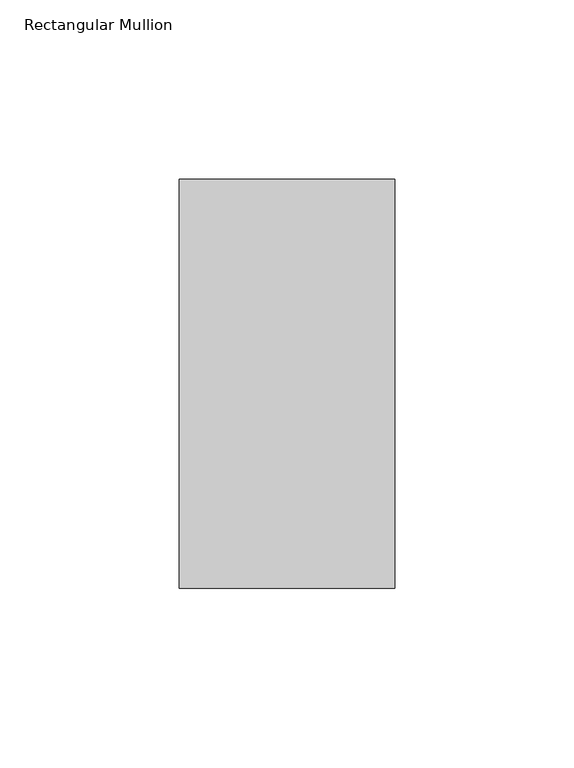
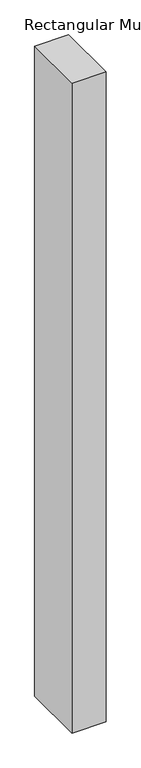
"""IFC4 building model written with IfcOpenShell, lengths in millimetres: member geometry, Rectangular Mullion."""

from ifc_helpers import new_model, si_unit, frame, origin, place, context, project, spatial, polyline, outline, extrude, source, transform, mapped, element, save


def rectangular_mullion_c3d140d0(model_context):
    return source(origin(), model_context, "Body", "SweptSolid", [
        extrude(outline(polyline([(-60.325, 57.15), (0.0, 57.15), (0.0, -57.15), (-60.325, -57.15), (-60.325, 57.15)])), frame((0.0, 0.0, -1219.2), z_axis=(0.0, 0.0, 1.0), x_axis=(1.0, 0.0, 0.0)), (0.0, 0.0, 1.0), 1219.2),
    ])


if __name__ == "__main__":
    model = new_model("IFC4")
    model_context = context("Model", 3, world=origin())
    ifc_project = project(units=[si_unit("LENGTHUNIT", "METRE", prefix="MILLI")], contexts=[model_context])
    site = spatial("IfcSite", under=ifc_project)
    building = spatial("IfcBuilding", under=site)
    placement = place(None, origin())
    rectangular_mullion_shape = rectangular_mullion_c3d140d0(model_context)
    element("IfcMember", 1, ObjectType="Rectangular Mullion", at=placement, inside=building, context=model_context, shape_type="MappedRepresentation", body=[
        mapped(rectangular_mullion_shape, transform((0.0, 0.0, 0.0), x_axis=(1.0, 0.0, 0.0), y_axis=(0.0, 1.0, 0.0), z_axis=(0.0, 0.0, 1.0))),
    ])
    save(model, "model.ifc")
